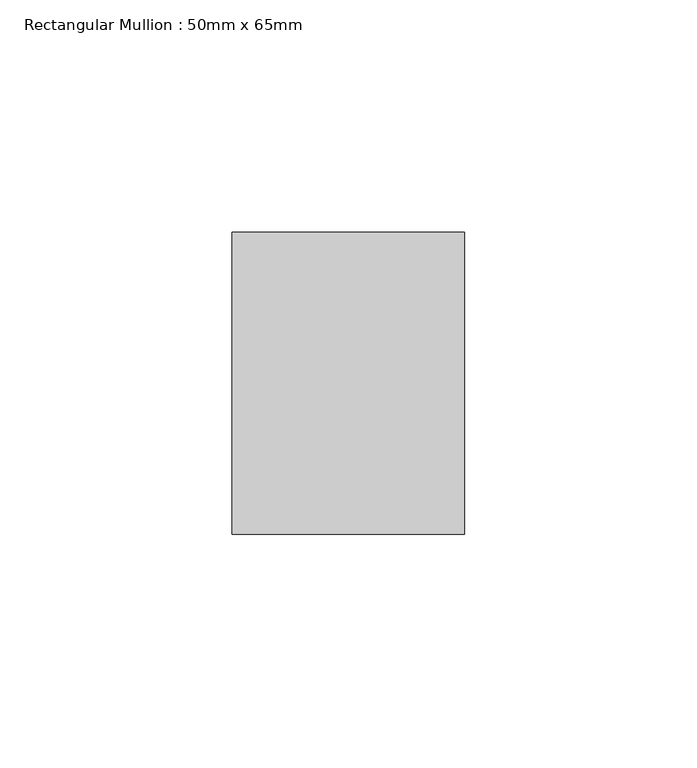
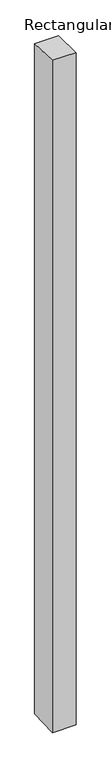
"""IFC4 building model written with IfcOpenShell, lengths in millimetres: member geometry, Rectangular Mullion : 50mm x 65mm."""

from ifc_helpers import new_model, si_unit, origin, place, context, project, spatial, faceted_brep, source, transform, mapped, element, save


def rectangular_mullion_50mm_x_65mm_e7627cf6(model_context):
    return source(origin(), model_context, "Body", "Brep", [
        faceted_brep([(-25.0, 32.5, -1.1419472), (25.0, 32.5, -1.1419538), (25.0, 32.5, -1498.5322547), (-25.0, 32.5, -1498.5322631), (-25.0, -32.5, 1.1419538), (-25.0, -32.5, -1501.467614), (25.0, -32.5, 1.1419472), (25.0, -32.5, -1501.4676056)], [[[0, 1, 2, 3]], [[4, 0, 3, 5]], [[6, 4, 5, 7]], [[1, 6, 7, 2]], [[1, 0, 4, 6]], [[2, 7, 5, 3]]]),
    ])


if __name__ == "__main__":
    model = new_model("IFC4")
    model_context = context("Model", 3, world=origin())
    ifc_project = project(units=[si_unit("LENGTHUNIT", "METRE", prefix="MILLI")], contexts=[model_context])
    site = spatial("IfcSite", under=ifc_project)
    building = spatial("IfcBuilding", under=site)
    placement = place(None, origin())
    rectangular_mullion_50mm_x_65mm_shape = rectangular_mullion_50mm_x_65mm_e7627cf6(model_context)
    element("IfcMember", 1, ObjectType="Rectangular Mullion : 50mm x 65mm", at=placement, inside=building, context=model_context, shape_type="MappedRepresentation", body=[
        mapped(rectangular_mullion_50mm_x_65mm_shape, transform((0.0, 0.0, 0.0), x_axis=(1.0, 0.0, 0.0), y_axis=(0.0, 1.0, 0.0), z_axis=(0.0, 0.0, 1.0))),
    ])
    save(model, "model.ifc")
